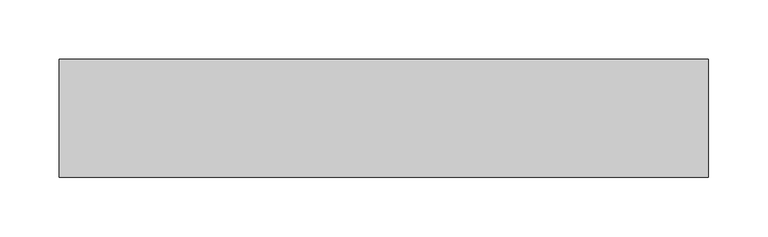
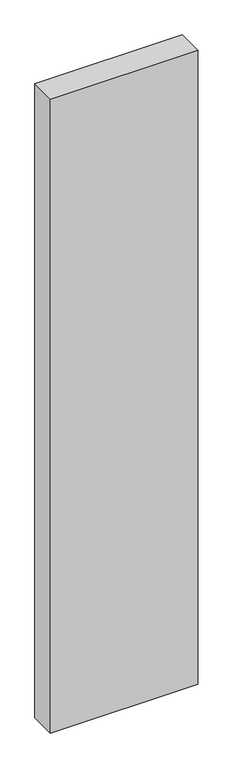
"""IFC4 building model written with IfcOpenShell, lengths in millimetres: proxy geometry."""

from ifc_helpers import new_model, si_unit, frame, origin, place, context, project, spatial, polyline, outline, extrude, source, transform, mapped, element, save


def generic_models_f5156106(model_context):
    return source(origin(), model_context, "Body", "SweptSolid", [
        extrude(outline(polyline([(550.0, 100.0), (550.0, 0.0), (0.0, 0.0), (0.0, 100.0), (550.0, 100.0)])), frame((0.0, 0.0, -2500.0), z_axis=(0.0, 0.0, 1.0), x_axis=(1.0, 0.0, 0.0)), (0.0, 0.0, 1.0), 2500.0),
    ])


if __name__ == "__main__":
    model = new_model("IFC4")
    model_context = context("Model", 3, world=origin())
    ifc_project = project(units=[si_unit("LENGTHUNIT", "METRE", prefix="MILLI")], contexts=[model_context])
    site = spatial("IfcSite", under=ifc_project)
    building = spatial("IfcBuilding", under=site)
    placement = place(None, origin())
    generic_models_shape = generic_models_f5156106(model_context)
    element("IfcBuildingElementProxy", 1, Name="Generic Models", at=placement, inside=building, context=model_context, shape_type="MappedRepresentation", body=[
        mapped(generic_models_shape, transform((0.0, 0.0, 0.0), x_axis=(1.0, 0.0, 0.0), y_axis=(0.0, 1.0, 0.0), z_axis=(0.0, 0.0, 1.0))),
    ])
    save(model, "model.ifc")
